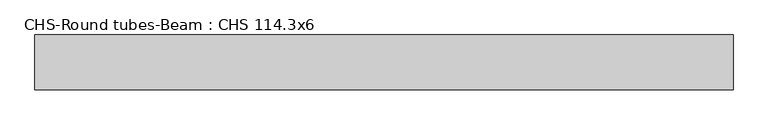
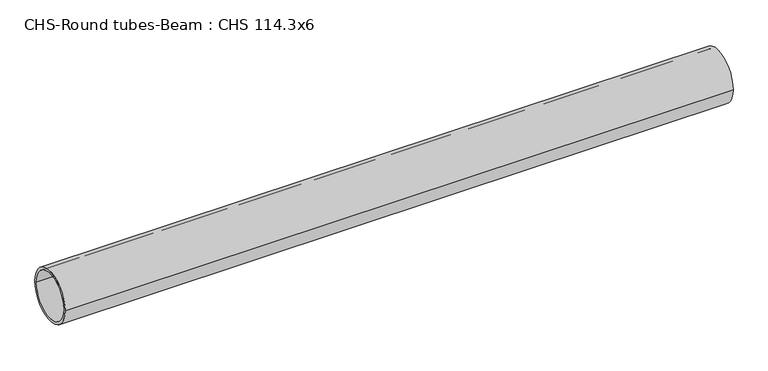
"""IFC4 building model written with IfcOpenShell, lengths in millimetres: beam geometry, CHS-Round tubes-Beam : CHS 114.3x6."""

from ifc_helpers import new_model, si_unit, point, frame, origin, origin_2d, place, context, project, spatial, circle_curve, trimmed, segment, composite_curve, outline, extrude, source, transform, mapped, element, save


def chs_round_tubes_beam_chs_114_3x6_6c1eb037(model_context):
    return source(origin(), model_context, "Body", "SweptSolid", [
        extrude(outline(composite_curve([segment(trimmed(circle_curve(origin_2d(), 57.15), [point((57.15, 0.0))], [point((-57.15, 0.0))], False, "CARTESIAN"), True, "CONTINUOUS"), segment(trimmed(circle_curve(origin_2d(), 57.15), [point((-57.15, 0.0))], [point((57.15, 0.0))], False, "CARTESIAN"), True, "CONTINUOUS")], self_intersect=False), holes=[composite_curve([segment(trimmed(circle_curve(origin_2d(), 51.15), [point((51.15, 0.0))], [point((-51.15, 0.0))], True, "CARTESIAN"), True, "CONTINUOUS"), segment(trimmed(circle_curve(origin_2d(), 51.15), [point((-51.15, 0.0))], [point((51.15, 0.0))], True, "CARTESIAN"), True, "CONTINUOUS")], self_intersect=False)]), frame((-735.531882, 0.0, 0.0), z_axis=(1.0, 0.0, 0.0), x_axis=(0.0, 1.0, 0.0)), (0.0, 0.0, 1.0), 1457.5959492),
    ])


if __name__ == "__main__":
    model = new_model("IFC4")
    model_context = context("Model", 3, world=origin())
    ifc_project = project(units=[si_unit("LENGTHUNIT", "METRE", prefix="MILLI")], contexts=[model_context])
    site = spatial("IfcSite", under=ifc_project)
    building = spatial("IfcBuilding", under=site)
    placement = place(None, origin())
    chs_round_tubes_beam_chs_114_3x6_shape = chs_round_tubes_beam_chs_114_3x6_6c1eb037(model_context)
    element("IfcBeam", 1, ObjectType="CHS-Round tubes-Beam : CHS 114.3x6", at=placement, inside=building, context=model_context, shape_type="MappedRepresentation", body=[
        mapped(chs_round_tubes_beam_chs_114_3x6_shape, transform((0.0, 0.0, 0.0), x_axis=(1.0, 0.0, 0.0), y_axis=(0.0, 1.0, 0.0), z_axis=(0.0, 0.0, 1.0))),
    ])
    save(model, "model.ifc")
